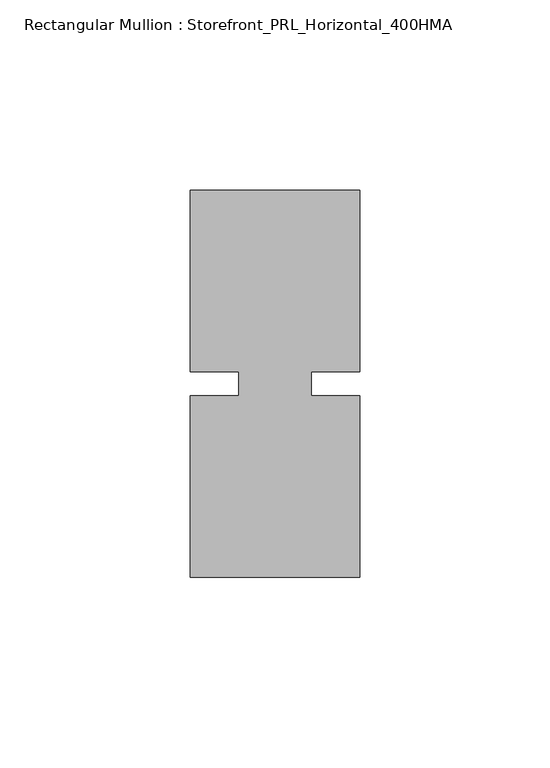
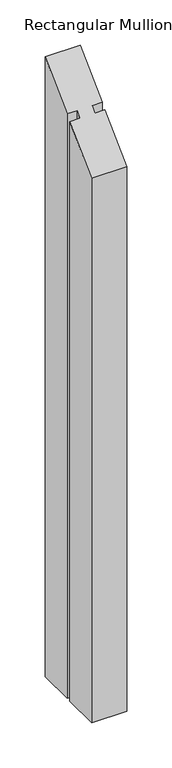
"""IFC4 building model written with IfcOpenShell, lengths in millimetres: member geometry, Rectangular Mullion : Storefront_PRL_Horizontal_400HMA."""

from ifc_helpers import new_model, si_unit, origin, place, context, project, spatial, faceted_brep, source, transform, mapped, element, save


def rectangular_mullion_storefront_prl_horizontal_400hma_e0983d8a(model_context):
    return source(origin(), model_context, "Body", "Brep", [
        faceted_brep([(-9.525, -3.175, -782.1083333), (-9.525, 3.175, -782.1083333), (-22.225, 3.175, -782.1083333), (-22.225, 50.8, -782.1083333), (22.225, 50.8, -782.1083333), (22.225, 3.175, -782.1083333), (9.525, 3.175, -782.1083333), (9.525, -3.175, -782.1083333), (22.225, -3.175, -782.1083333), (22.225, -50.8, -782.1083333), (-22.225, -50.8, -782.1083333), (-22.225, -3.175, -782.1083333), (-22.225, -3.175, -3.175), (-9.525, -3.175, -3.175), (-22.225, -50.8, -50.8), (22.225, -50.8, -50.8), (22.225, -3.175, -3.175), (9.525, -3.175, -3.175), (9.525, 3.175, 3.175), (22.225, 3.175, 3.175), (22.225, 50.8, 50.8), (-22.225, 50.8, 50.8), (-22.225, 3.175, 3.175), (-9.525, 3.175, 3.175)], [[[0, 1, 2, 3, 4, 5, 6, 7, 8, 9, 10, 11]], [[12, 13, 0, 11]], [[14, 12, 11, 10]], [[15, 14, 10, 9]], [[16, 15, 9, 8]], [[17, 16, 8, 7]], [[18, 17, 7, 6]], [[19, 18, 6, 5]], [[20, 19, 5, 4]], [[21, 20, 4, 3]], [[22, 21, 3, 2]], [[23, 22, 2, 1]], [[13, 23, 1, 0]], [[13, 12, 14, 15, 16, 17, 18, 19, 20, 21, 22, 23]]]),
    ])


if __name__ == "__main__":
    model = new_model("IFC4")
    model_context = context("Model", 3, world=origin())
    ifc_project = project(units=[si_unit("LENGTHUNIT", "METRE", prefix="MILLI")], contexts=[model_context])
    site = spatial("IfcSite", under=ifc_project)
    building = spatial("IfcBuilding", under=site)
    placement = place(None, origin())
    rectangular_mullion_storefront_prl_horizontal_400hma_shape = rectangular_mullion_storefront_prl_horizontal_400hma_e0983d8a(model_context)
    element("IfcMember", 1, ObjectType="Rectangular Mullion : Storefront_PRL_Horizontal_400HMA", at=placement, inside=building, context=model_context, shape_type="MappedRepresentation", body=[
        mapped(rectangular_mullion_storefront_prl_horizontal_400hma_shape, transform((0.0, 0.0, 0.0), x_axis=(1.0, 0.0, 0.0), y_axis=(0.0, 1.0, 0.0), z_axis=(0.0, 0.0, 1.0))),
    ])
    save(model, "model.ifc")
